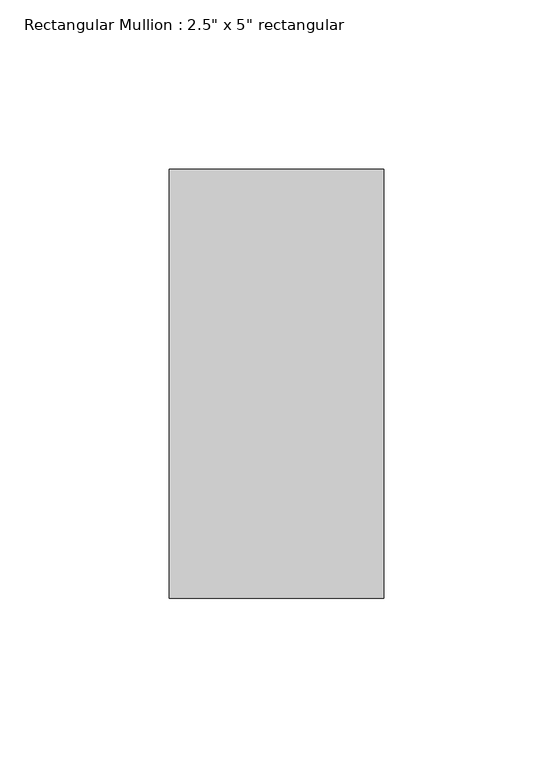
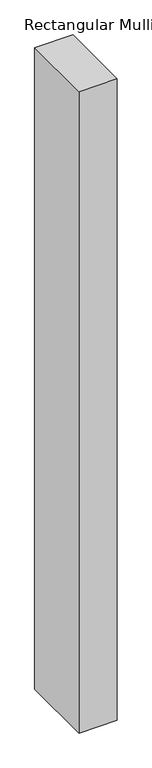
"""IFC4 building model written with IfcOpenShell, lengths in millimetres: member geometry."""

from ifc_helpers import new_model, si_unit, frame, origin, place, context, project, spatial, polyline, outline, extrude, source, transform, mapped, element, save


def member_e6b9f524(model_context):
    return source(origin(), model_context, "Body", "SweptSolid", [
        extrude(outline(polyline([(0.0, 63.5), (0.0, -63.5), (-63.5, -63.5), (-63.5, 63.5), (0.0, 63.5)])), frame((0.0, 0.0, -1123.95), z_axis=(0.0, 0.0, 1.0), x_axis=(1.0, 0.0, 0.0)), (0.0, 0.0, 1.0), 1123.95),
    ])


if __name__ == "__main__":
    model = new_model("IFC4")
    model_context = context("Model", 3, world=origin())
    ifc_project = project(units=[si_unit("LENGTHUNIT", "METRE", prefix="MILLI")], contexts=[model_context])
    site = spatial("IfcSite", under=ifc_project)
    building = spatial("IfcBuilding", under=site)
    placement = place(None, origin())
    member_shape = member_e6b9f524(model_context)
    element("IfcMember", 1, ObjectType="Rectangular Mullion : 2.5\" x 5\" rectangular", at=placement, inside=building, context=model_context, shape_type="MappedRepresentation", body=[
        mapped(member_shape, transform((0.0, 0.0, 0.0), x_axis=(1.0, 0.0, 0.0), y_axis=(0.0, 1.0, 0.0), z_axis=(0.0, 0.0, 1.0))),
    ])
    save(model, "model.ifc")
